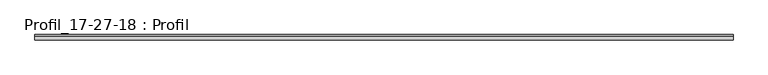
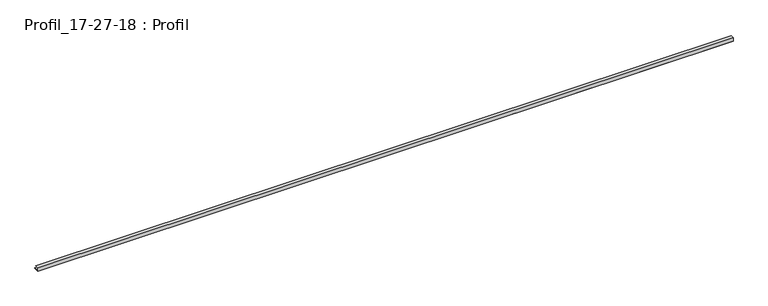
"""IFC4 building model written with IfcOpenShell, lengths in millimetres: proxy geometry, Profil_17-27-18 : Profil."""

from ifc_helpers import new_model, si_unit, frame, origin, place, context, project, spatial, polyline, outline, extrude, source, transform, mapped, element, save


def profil_17_27_18_profil_613a9aed(model_context):
    return source(origin(), model_context, "Body", "SweptSolid", [
        extrude(outline(polyline([(0.0, 19.0), (18.0, 19.0), (18.0, 18.2), (0.8, 18.2), (0.8, 0.8), (27.0, 0.8), (27.0, 0.0), (0.0, 0.0), (0.0, 19.0)])), frame((0.0, 0.0, 0.0), z_axis=(1.0, 0.0, 0.0), x_axis=(0.0, 1.0, 0.0)), (0.0, 0.0, 1.0), 3600.0),
    ])


if __name__ == "__main__":
    model = new_model("IFC4")
    model_context = context("Model", 3, world=origin())
    ifc_project = project(units=[si_unit("LENGTHUNIT", "METRE", prefix="MILLI")], contexts=[model_context])
    site = spatial("IfcSite", under=ifc_project)
    building = spatial("IfcBuilding", under=site)
    placement = place(None, origin())
    profil_17_27_18_profil_shape = profil_17_27_18_profil_613a9aed(model_context)
    element("IfcBuildingElementProxy", 1, Name="Profil_17-27-18 : Profil", ObjectType="Profil_17-27-18 : Profil", at=placement, inside=building, context=model_context, shape_type="MappedRepresentation", body=[
        mapped(profil_17_27_18_profil_shape, transform((0.0, 0.0, 0.0), x_axis=(1.0, 0.0, 0.0), y_axis=(0.0, 1.0, 0.0), z_axis=(0.0, 0.0, 1.0))),
    ])
    save(model, "model.ifc")
